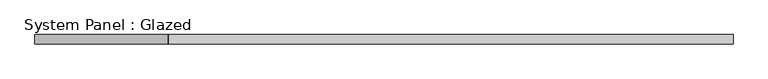
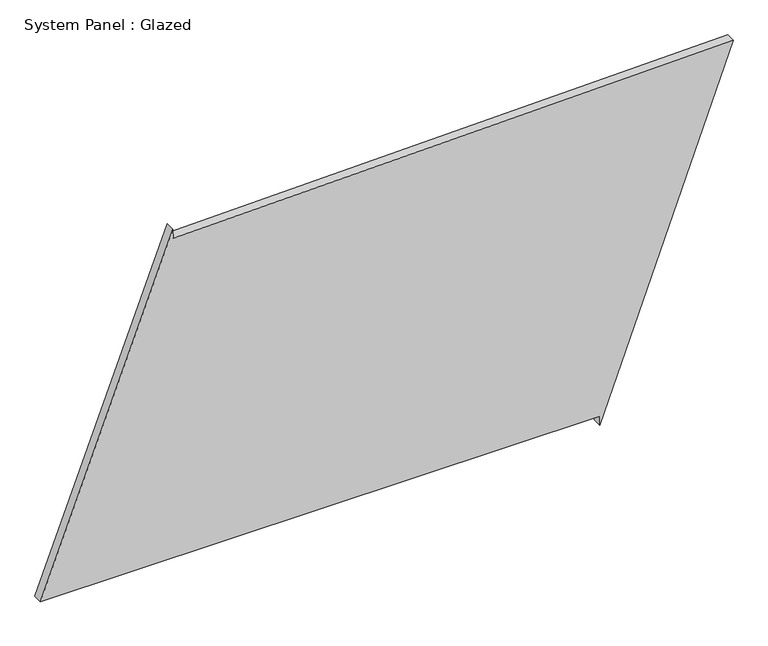
"""IFC4 building model written with IfcOpenShell, lengths in millimetres: plate geometry, System Panel : Glazed."""

from ifc_helpers import new_model, si_unit, frame, origin, place, context, project, spatial, polyline, outline, extrude, source, transform, mapped, element, save


def system_panel_glazed_024b21fb(model_context):
    return source(origin(), model_context, "Body", "SweptSolid", [
        extrude(outline(polyline([(25.0, 563.8003616), (0.0, 563.8003616), (953.962583, 916.8545333), (919.3148324, -565.6812474), (944.3080079, -566.2653529), (25.0, -916.8545333), (25.0, 563.8003616)])), frame((0.0, -49.5, 0.0), z_axis=(0.0, 1.0, 0.0), x_axis=(0.0, 0.0, 1.0)), (0.0, 0.0, 1.0), 25.0),
    ])


if __name__ == "__main__":
    model = new_model("IFC4")
    model_context = context("Model", 3, world=origin())
    ifc_project = project(units=[si_unit("LENGTHUNIT", "METRE", prefix="MILLI")], contexts=[model_context])
    site = spatial("IfcSite", under=ifc_project)
    building = spatial("IfcBuilding", under=site)
    placement = place(None, origin())
    system_panel_glazed_shape = system_panel_glazed_024b21fb(model_context)
    element("IfcPlate", 1, ObjectType="System Panel : Glazed", at=placement, inside=building, context=model_context, shape_type="MappedRepresentation", body=[
        mapped(system_panel_glazed_shape, transform((0.0, 0.0, 0.0), x_axis=(1.0, 0.0, 0.0), y_axis=(0.0, 1.0, 0.0), z_axis=(0.0, 0.0, 1.0))),
    ])
    save(model, "model.ifc")
